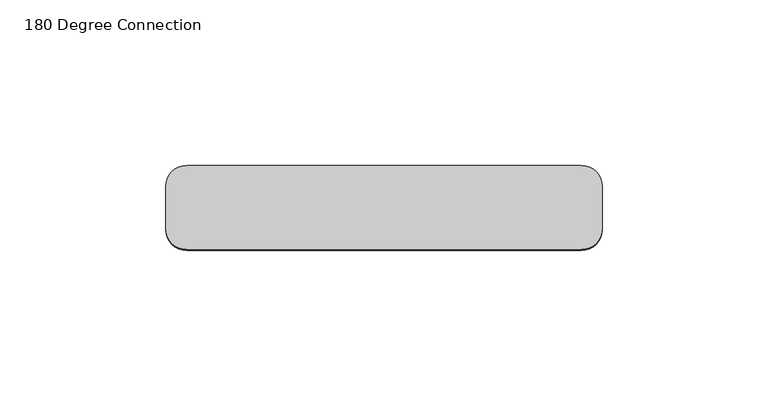
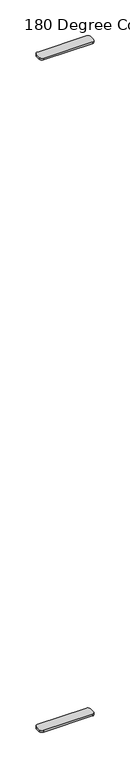
"""IFC4 building model written with IfcOpenShell, lengths in millimetres: furniture geometry, 180 Degree Connection."""

from ifc_helpers import new_model, si_unit, point, frame, frame_2d, origin, place, context, project, spatial, polyline, circle_curve, trimmed, segment, composite_curve, outline, extrude, source, transform, mapped, element, save


def furniture_180_degree_connection_4e90382d(model_context):
    return source(origin(), model_context, "Body", "SweptSolid", [
        extrude(outline(composite_curve([segment(trimmed(circle_curve(frame_2d((-59.563, -31.75)), 6.35), [point((-65.913, -31.75))], [point((-59.563, -25.4))], False, "CARTESIAN"), True, "CONTINUOUS"), segment(polyline([(-59.563, -25.4), (59.563, -25.4)]), True, "CONTINUOUS"), segment(trimmed(circle_curve(frame_2d((59.563, -31.75)), 6.35), [point((59.563, -25.4))], [point((65.913, -31.75))], False, "CARTESIAN"), True, "CONTINUOUS"), segment(polyline([(65.913, -31.75), (65.913, -44.45)]), True, "CONTINUOUS"), segment(trimmed(circle_curve(frame_2d((59.563, -44.45)), 6.35), [point((65.913, -44.45))], [point((59.563, -50.8))], False, "CARTESIAN"), True, "CONTINUOUS"), segment(polyline([(59.563, -50.8), (-59.563, -50.8)]), True, "CONTINUOUS"), segment(trimmed(circle_curve(frame_2d((-59.563, -44.45)), 6.35), [point((-59.563, -50.8))], [point((-65.913, -44.45))], False, "CARTESIAN"), True, "CONTINUOUS"), segment(polyline([(-65.913, -44.45), (-65.913, -31.75)]), True, "CONTINUOUS")], self_intersect=False)), frame((0.0, 0.0, 1738.4522), z_axis=(0.0, 0.0, 1.0), x_axis=(1.0, 0.0, 0.0)), (0.0, 0.0, 1.0), 4.5466),
        extrude(outline(composite_curve([segment(polyline([(-59.563, -25.4), (59.563, -25.4)]), True, "CONTINUOUS"), segment(trimmed(circle_curve(frame_2d((59.563, -31.75)), 6.35), [point((59.563, -25.4))], [point((65.913, -31.75))], False, "CARTESIAN"), True, "CONTINUOUS"), segment(polyline([(65.913, -31.75), (65.913, -44.45)]), True, "CONTINUOUS"), segment(trimmed(circle_curve(frame_2d((59.563, -44.45)), 6.35), [point((65.913, -44.45))], [point((59.563, -50.8))], False, "CARTESIAN"), True, "CONTINUOUS"), segment(polyline([(59.563, -50.8), (-59.563, -50.8)]), True, "CONTINUOUS"), segment(trimmed(circle_curve(frame_2d((-59.563, -44.45)), 6.35), [point((-59.563, -50.8))], [point((-65.913, -44.45))], False, "CARTESIAN"), True, "CONTINUOUS"), segment(polyline([(-65.913, -44.45), (-65.913, -31.75)]), True, "CONTINUOUS"), segment(trimmed(circle_curve(frame_2d((-59.563, -31.75)), 6.35), [point((-65.913, -31.75))], [point((-59.563, -25.4))], False, "CARTESIAN"), True, "CONTINUOUS")], self_intersect=False)), frame((0.0, 0.0, 12.7), z_axis=(0.0, 0.0, 1.0), x_axis=(1.0, 0.0, 0.0)), (0.0, 0.0, 1.0), 4.5466),
    ])


if __name__ == "__main__":
    model = new_model("IFC4")
    model_context = context("Model", 3, world=origin())
    ifc_project = project(units=[si_unit("LENGTHUNIT", "METRE", prefix="MILLI")], contexts=[model_context])
    site = spatial("IfcSite", under=ifc_project)
    building = spatial("IfcBuilding", under=site)
    placement = place(None, origin())
    furniture_180_degree_connection_shape = furniture_180_degree_connection_4e90382d(model_context)
    element("IfcFurniture", 1, ObjectType="180 Degree Connection", at=placement, inside=building, context=model_context, shape_type="MappedRepresentation", body=[
        mapped(furniture_180_degree_connection_shape, transform((0.0, 0.0, 0.0), x_axis=(1.0, 0.0, 0.0), y_axis=(0.0, 1.0, 0.0), z_axis=(0.0, 0.0, 1.0))),
    ])
    save(model, "model.ifc")
